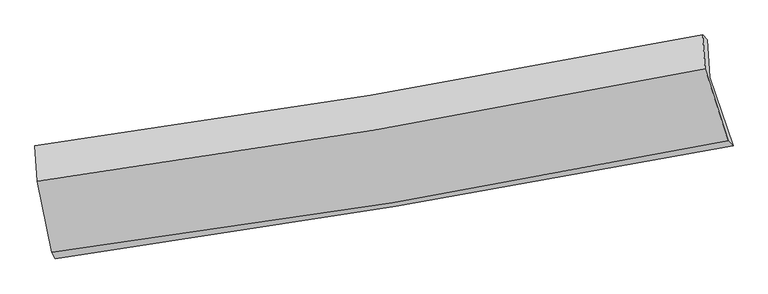
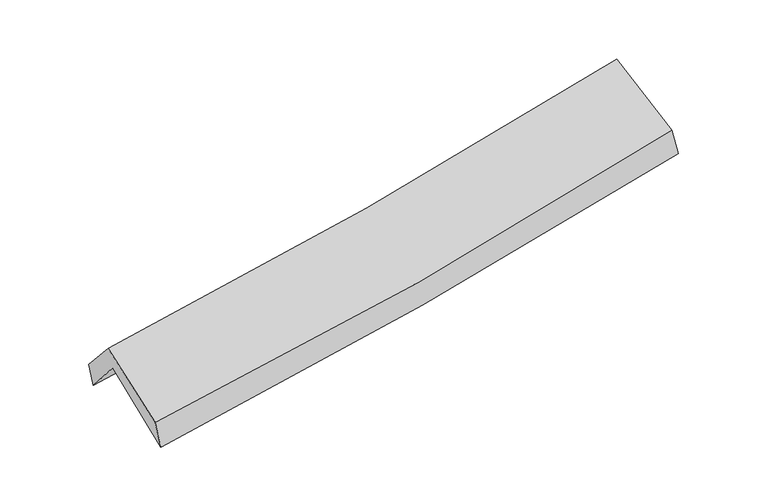
"""IFC4 building model written with IfcOpenShell, lengths in millimetres: proxy geometry."""

from ifc_helpers import new_model, si_unit, frame, origin, place, context, project, spatial, source, transform, mapped, element, save
from ifc_brep_helpers import plane_surface, spline_curve, spline_surface, advanced_brep


def generic_models_eeccf117(model_context):
    return source(origin(), model_context, "Body", "AdvancedBrep", [
        advanced_brep(
        [(-2286.8768636, -2472.6728967, 1481.8733452), (-2395.5658536, -1965.4937672, 1913.4595364), (2316.7456405, -1195.7271043, 2354.6412983), (2482.1314851, -1679.5448903, 1921.6374876), (-2410.68747, -1712.9013742, 1607.9678533), (2301.0728941, -933.9286007, 2038.0155103), (-2428.773996, -1678.367897, 1779.9197837), (2268.3967363, -899.2207453, 2224.4010954), (-2412.5296401, -1928.7062508, 2065.9062023), (2284.7700718, -1136.3697163, 2494.97328), (-2308.9280728, -2426.1376328, 1682.6186277), (2447.8391843, -1644.6978108, 2119.8541162)],
        [
            (0, 1),
            (1, 2, spline_curve(3, [(-2395.5658536, -1965.4937672, 1913.4595364), (-1602.934150985, -1860.557412601, 1971.016921994), (-813.090297175, -1743.779262266, 2036.656809838), (757.656411455, -1487.089324383, 2183.786368029), (1538.583055395, -1347.278587331, 2265.207067211), (2316.7456405, -1195.7271043, 2354.6412983)], [4, 2, 4], [0.0, 7.933050684185521, 15.832181151105306])),
            (2, 3),
            (3, 0, spline_curve(3, [(2482.1314851, -1679.5448903, 1921.6374876), (1693.109114606, -1831.335064516, 1829.574726321), (902.036430298, -1973.203848756, 1746.954575233), (-687.615372908, -2237.665242324, 1600.285257493), (-1486.212137997, -2360.172459984, 1536.317360893), (-2286.8768636, -2472.6728967, 1481.8733452)], [4, 2, 4], [0.0, 7.899130466919785, 15.832181151105306])),
            (1, 4),
            (4, 5, spline_curve(3, [(-2410.68747, -1712.9013742, 1607.9678533), (-1618.190176671, -1605.719839228, 1662.809860562), (-828.459508021, -1487.051037091, 1726.163146168), (742.103671709, -1227.295421328, 1869.584994813), (1522.959790847, -1086.306632304, 1949.580928246), (2301.0728941, -933.9286007, 2038.0155103)], [4, 2, 4], [0.0, 7.884282113879232, 15.734852535632221])),
            (5, 2),
            (4, 6),
            (6, 7, spline_curve(3, [(-2428.773996, -1678.367897, 1779.9197837), (-1638.135664319, -1571.662560886, 1836.616863525), (-850.553502934, -1453.216754523, 1902.103662101), (715.143995074, -1193.400851661, 2050.339105024), (1493.285411177, -1052.130941189, 2133.012743538), (2268.3967363, -899.2207453, 2224.4010954)], [4, 2, 4], [0.0, 7.873592068189831, 15.713518152857436])),
            (7, 5),
            (6, 8),
            (8, 9, spline_curve(3, [(-2412.5296401, -1928.7062508, 2065.9062023), (-1621.76142705, -1821.963992161, 2122.701571717), (-834.103669642, -1702.395933625, 2186.947380261), (731.636358262, -1438.174308753, 2330.033316806), (1509.745171502, -1293.630188862, 2408.809867285), (2284.7700718, -1136.3697163, 2494.97328)], [4, 2, 4], [0.0, 7.863697727299389, 15.69377177739805])),
            (9, 7),
            (8, 10),
            (10, 11, spline_curve(3, [(-2308.9280728, -2426.1376328, 1682.6186277), (-1507.871772274, -2325.122882017, 1731.498194431), (-710.104106208, -2209.324396785, 1792.478202511), (875.456916636, -1948.718301574, 1938.326622376), (1663.278335972, -1804.036846289, 2023.091777405), (2447.8391843, -1644.6978108, 2119.8541162)], [4, 2, 4], [0.0, 7.912121674424344, 15.790412620051702])),
            (11, 9),
            (10, 0),
            (3, 11),
        ],
        [
            spline_surface(3, 3, [[(-2286.8768636, -2472.6728967, 1481.8733452), (-1486.212137881, -2360.172460088, 1536.317360859), (-687.615372783, -2237.665242223, 1600.285257381), (902.036430174, -1973.203848856, 1746.954575344), (1693.10911465, -1831.335064574, 1829.574726275), (2482.1314851, -1679.5448903, 1921.6374876)], [(-2323.106526948, -2303.613186882, 1625.735408945), (-1525.11947559, -2193.63411091, 1681.217214553), (-729.440347544, -2073.036582191, 1745.742441558), (853.909757225, -1811.165674052, 1892.565172872), (1641.600428247, -1669.98290545, 1974.785506593), (2427.002870235, -1518.272294962, 2065.972091166)], [(-2359.336190252, -2134.553477018, 1769.597472655), (-1564.026813255, -2027.095761687, 1826.117068211), (-771.265322295, -1908.407922198, 1891.199625749), (805.783084286, -1649.127499286, 2038.175770413), (1590.091741839, -1508.630746341, 2119.996286913), (2371.874255365, -1356.999699638, 2210.306694734)], [(-2395.5658536, -1965.4937672, 1913.4595364), (-1602.934150964, -1860.557412509, 1971.016921905), (-813.090297056, -1743.779262167, 2036.656809926), (757.656411336, -1487.089324482, 2183.786367941), (1538.583055436, -1347.278587217, 2265.207067231), (2316.7456405, -1195.7271043, 2354.6412983)]], [4, 4], [4, 2, 4], [0.0, 2.198239187287896], [0.0, 7.933050684185521, 15.832181151105306]),
            spline_surface(3, 3, [[(-2395.5658536, -1965.4937672, 1913.4595364), (-1602.934150964, -1860.557412509, 1971.016921905), (-813.090297056, -1743.779262167, 2036.656809926), (757.656411336, -1487.089324482, 2183.786367941), (1538.583055436, -1347.278587217, 2265.207067231), (2316.7456405, -1195.7271043, 2354.6412983)], [(-2400.60639239, -1881.296302855, 1811.62897535), (-1608.019492838, -1775.611554761, 1868.281234783), (-818.213367315, -1658.203187187, 1933.158922009), (752.47216477, -1400.491356772, 2079.052576891), (1533.375300577, -1260.287935573, 2159.998354213), (2311.521391676, -1108.460936455, 2249.099368961)], [(-2405.64693121, -1797.098838545, 1709.79841435), (-1613.10483474, -1690.665697046, 1765.54554771), (-823.336437632, -1572.627112127, 1829.6610341), (747.287918145, -1313.893388983, 1974.318785848), (1528.167545792, -1173.297283864, 2054.789641211), (2306.297142924, -1021.194768545, 2143.557439639)], [(-2410.68747, -1712.9013742, 1607.9678533), (-1618.190176613, -1605.719839298, 1662.809860589), (-828.459507891, -1487.051037147, 1726.163146183), (742.103671579, -1227.295421273, 1869.584994798), (1522.959790933, -1086.306632219, 1949.580928193), (2301.0728941, -933.9286007, 2038.0155103)]], [4, 4], [4, 2, 4], [0.0, 1.3306239602546355], [0.0, 7.884282113879232, 15.734852535632221]),
            spline_surface(3, 3, [[(-2410.68747, -1712.9013742, 1607.9678533), (-1618.190176613, -1605.719839298, 1662.809860589), (-828.459507891, -1487.051037147, 1726.163146183), (742.103671579, -1227.295421273, 1869.584994798), (1522.959790933, -1086.306632219, 1949.580928193), (2301.0728941, -933.9286007, 2038.0155103)], [(-2416.716312011, -1701.390215156, 1665.285163453), (-1624.838672538, -1594.367413209, 1720.745528231), (-835.824172941, -1475.772942874, 1784.809984846), (733.117112742, -1215.997231413, 1929.836364877), (1513.068331031, -1074.914735177, 2010.724866659), (2290.180841518, -922.359315563, 2100.144038675)], [(-2422.745153989, -1689.879056044, 1722.602473547), (-1631.48716843, -1583.014987052, 1778.681195816), (-843.188837934, -1464.494848683, 1843.456823467), (724.130553961, -1204.699041633, 1990.087734915), (1503.176871075, -1063.522838148, 2071.868805102), (2279.288788882, -910.790030437, 2162.272567025)], [(-2428.773996, -1678.367897, 1779.9197837), (-1638.135664355, -1571.662560963, 1836.616863459), (-850.553502984, -1453.21675441, 1902.10366213), (715.143995124, -1193.400851773, 2050.339104995), (1493.285411172, -1052.130941107, 2133.012743568), (2268.3967363, -899.2207453, 2224.4010954)]], [4, 4], [4, 2, 4], [0.0, 0.6009575648851314], [0.0, 7.873592068189831, 15.713518152857436]),
            spline_surface(3, 3, [[(-2428.773996, -1678.367897, 1779.9197837), (-1638.135664355, -1571.662560963, 1836.616863459), (-850.553502984, -1453.21675441, 1902.10366213), (715.143995124, -1193.400851773, 2050.339104995), (1493.285411172, -1052.130941107, 2133.012743568), (2268.3967363, -899.2207453, 2224.4010954)], [(-2423.359210688, -1761.814014925, 1875.248589871), (-1632.67758525, -1655.096371332, 1931.978432842), (-845.070225226, -1536.276480867, 1997.051568181), (720.641449536, -1274.992004091, 2143.570508873), (1498.771997996, -1132.630690359, 2224.945118113), (2273.854514809, -978.270402289, 2314.591823576)], [(-2417.944425412, -1845.260132875, 1970.577396129), (-1627.219506182, -1738.530181725, 2027.340002314), (-839.586947483, -1619.336207259, 2091.99947431), (726.138903933, -1356.583156345, 2236.801912828), (1504.258584793, -1213.130439643, 2316.877492732), (2279.312293291, -1057.320059311, 2404.782551824)], [(-2412.5296401, -1928.7062508, 2065.9062023), (-1621.761427077, -1821.963992095, 2122.701571697), (-834.103669725, -1702.395933716, 2186.947380362), (731.636358345, -1438.174308663, 2330.033316706), (1509.745171617, -1293.630188895, 2408.809867277), (2284.7700718, -1136.3697163, 2494.97328)]], [4, 4], [4, 2, 4], [0.0, 1.231758723029063], [0.0, 7.863697727299389, 15.69377177739805]),
            spline_surface(3, 3, [[(-2412.5296401, -1928.7062508, 2065.9062023), (-1621.761427077, -1821.963992095, 2122.701571697), (-834.103669725, -1702.395933716, 2186.947380362), (731.636358345, -1438.174308663, 2330.033316706), (1509.745171617, -1293.630188895, 2408.809867277), (2284.7700718, -1136.3697163, 2494.97328)], [(-2377.995784351, -2094.516711464, 1938.143677463), (-1583.798208852, -1989.683622104, 1992.30044599), (-792.770481861, -1871.372088066, 2055.457654404), (779.576544412, -1608.355639614, 2199.464418626), (1560.922893069, -1463.765741346, 2280.237170647), (2339.126442618, -1305.812414486, 2369.933558762)], [(-2343.461928549, -2260.327172136, 1810.381152537), (-1545.834990575, -2157.40325212, 1861.899320195), (-751.437293989, -2040.348242455, 1923.967928412), (827.516730487, -1778.536970603, 2068.895520513), (1612.100614568, -1633.901293737, 2151.664473932), (2393.482813482, -1475.255112614, 2244.893837438)], [(-2308.9280728, -2426.1376328, 1682.6186277), (-1507.87177235, -2325.122882129, 1731.498194487), (-710.104106126, -2209.324396805, 1792.478202454), (875.456916554, -1948.718301554, 1938.326622433), (1663.278336019, -1804.036846188, 2023.091777302), (2447.8391843, -1644.6978108, 2119.8541162)]], [4, 4], [4, 2, 4], [0.0, 2.154510101870427], [0.0, 7.912121674424344, 15.790412620051702]),
            spline_surface(3, 3, [[(-2308.9280728, -2426.1376328, 1682.6186277), (-1507.87177235, -2325.122882129, 1731.498194487), (-710.104106126, -2209.324396805, 1792.478202454), (875.456916554, -1948.718301554, 1938.326622433), (1663.278336019, -1804.036846188, 2023.091777302), (2447.8391843, -1644.6978108, 2119.8541162)], [(-2301.577669712, -2441.649387417, 1615.703533519), (-1500.651894172, -2336.806074766, 1666.437916597), (-702.607861678, -2218.771345282, 1728.413887438), (884.316754428, -1956.880150659, 1874.535940078), (1673.221928908, -1813.136252295, 1958.58609362), (2459.269951245, -1656.313503945, 2053.781906661)], [(-2294.227266688, -2457.161142083, 1548.788439381), (-1493.432016058, -2348.489267451, 1601.377638749), (-695.111617232, -2228.218293746, 1664.349572398), (893.1765923, -1965.041999751, 1810.745257699), (1683.165521761, -1822.235658467, 1894.080409957), (2470.700718155, -1667.929197155, 1987.709697139)], [(-2286.8768636, -2472.6728967, 1481.8733452), (-1486.212137881, -2360.172460088, 1536.317360859), (-687.615372783, -2237.665242223, 1600.285257381), (902.036430174, -1973.203848856, 1746.954575344), (1693.10911465, -1831.335064574, 1829.574726275), (2482.1314851, -1679.5448903, 1921.6374876)]], [4, 4], [4, 2, 4], [0.0, 0.6402330604308375], [0.0, 7.970781229081323, 15.907480912256597]),
            plane_surface(frame((2350.1593354, -1248.2481446, 2192.253798), z_axis=(0.9680035636929123, 0.21481659854529067, 0.1297032369189512), x_axis=(0.24992986881302476, -0.7790952687261958, -0.5749309723119472))),
            plane_surface(frame((-2373.8936493, -2030.7133031, 1755.2908915), z_axis=(-0.9861559564028235, -0.14843413158535967, -0.07391710378344535), x_axis=(-0.10640168996131334, 0.22454236669558258, 0.9686379127063545))),
        ],
        [
            (0, [[1, 2, 3, 4]]),
            (1, [[5, 6, 7, -2]]),
            (2, [[8, 9, 10, -6]]),
            (3, [[11, 12, 13, -9]]),
            (4, [[14, 15, 16, -12]]),
            (5, [[17, -4, 18, -15]]),
            (6, [[-16, -18, -3, -7, -10, -13]]),
            (7, [[-17, -14, -11, -8, -5, -1]]),
        ],
    ),
    ])


if __name__ == "__main__":
    model = new_model("IFC4")
    model_context = context("Model", 3, world=origin())
    ifc_project = project(units=[si_unit("LENGTHUNIT", "METRE", prefix="MILLI")], contexts=[model_context])
    site = spatial("IfcSite", under=ifc_project)
    building = spatial("IfcBuilding", under=site)
    placement = place(None, origin())
    generic_models_shape = generic_models_eeccf117(model_context)
    element("IfcBuildingElementProxy", 1, Name="Generic Models", at=placement, inside=building, context=model_context, shape_type="MappedRepresentation", body=[
        mapped(generic_models_shape, transform((0.0, 0.0, 0.0), x_axis=(1.0, 0.0, 0.0), y_axis=(0.0, 1.0, 0.0), z_axis=(0.0, 0.0, 1.0))),
    ])
    save(model, "model.ifc")
